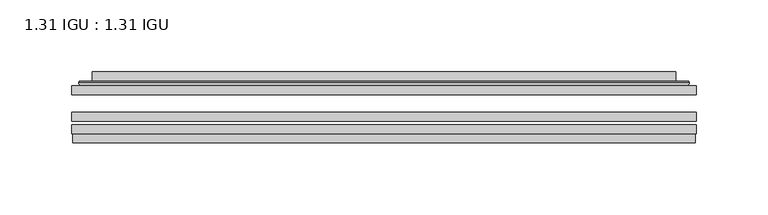
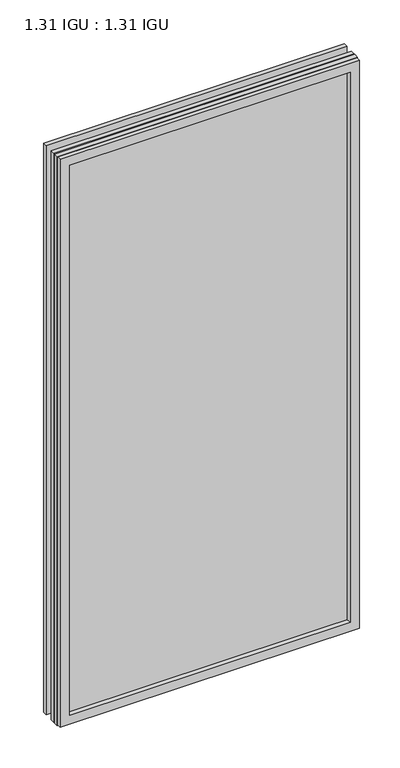
"""IFC4 building model written with IfcOpenShell, lengths in millimetres: plate geometry, 1.31 IGU : 1.31 IGU."""

from ifc_helpers import new_model, si_unit, frame, origin, place, context, project, spatial, polyline, ellipse_curve, outline, extrude, faceted_brep, source, transform, mapped, element, save
from ifc_brep_helpers import plane_surface, cylinder_surface, advanced_brep


def plate_1_31_igu_1_31_igu_b46dd1f0(model_context):
    return source(origin(), model_context, "Body", "SolidModel", [
        extrude(outline(polyline([(217.501675, -63.59525), (217.501675, -69.94525), (-217.4875, -69.94525), (-217.4875, -63.59525), (217.501675, -63.59525)])), frame((0.0, 0.0, -14.2875), z_axis=(0.0, 0.0, 1.0), x_axis=(1.0, 0.0, 0.0)), (0.0, 0.0, 1.0), 869.9537979),
        extrude(outline(polyline([(-217.4875, -78.58125), (-217.4875, -72.230745), (217.501675, -72.230745), (217.501675, -78.58125), (-217.4875, -78.58125)])), frame((0.0, 0.0, -14.2875), z_axis=(0.0, 0.0, 1.0), x_axis=(1.0, 0.0, 0.0)), (0.0, 0.0, 1.0), 869.9537979),
        extrude(outline(polyline([(217.501675, -45.25645), (217.501675, -51.60645), (-217.4875, -51.60645), (-217.4875, -45.25645), (217.501675, -45.25645)])), frame((0.0, 0.0, -14.2875), z_axis=(0.0, 0.0, 1.0), x_axis=(1.0, 0.0, 0.0)), (0.0, 0.0, 1.0), 869.9537979),
        faceted_brep([(-216.7873142, -84.93125, 854.9623142), (-216.7873142, -78.58125, 854.9623142), (-216.7873142, -78.58125, -13.5873142), (-216.7873142, -84.93125, -13.5873142), (216.7873142, -78.58125, -13.5873142), (216.7873142, -84.93125, -13.5873142), (216.7873142, -78.58125, 854.9623142), (216.7873142, -84.93125, 854.9623142), (-202.3022559, -78.58125, 0.8977441), (202.3022559, -78.58125, 0.8977441), (202.3022559, -78.58125, 840.4772559), (-202.3022559, -78.58125, 840.4772559), (-203.1946902, -84.93125, 841.3696902), (203.1946902, -84.93125, 841.3696902), (203.1946902, -84.93125, 0.0053098), (-203.1946902, -84.93125, 0.0053098)], [[[0, 1, 2, 3]], [[3, 2, 4, 5]], [[5, 4, 6, 7]], [[1, 6, 4, 2], [8, 9, 10, 11]], [[7, 6, 1, 0]], [[3, 5, 7, 0], [12, 13, 14, 15]], [[11, 12, 15, 8]], [[8, 15, 14, 9]], [[9, 14, 13, 10]], [[10, 13, 12, 11]]]),
        advanced_brep(
        [(-210.246219, -45.25645, 848.4212191), (-212.6004244, -43.2667833, 850.7754244), (-212.6004244, -43.2667833, -9.4004244), (-210.246219, -45.25645, -7.046219), (-201.1718939, -41.416413, 839.3468939), (-196.2370621, -45.25645, 834.4120621), (-196.2370621, -45.25645, 6.9629379), (-201.1718939, -41.416413, 2.0281061), (-202.2039217, -36.0191819, 840.3789217), (-202.2039217, -36.0191819, 0.9960783), (-203.1945784, -35.6202069, 841.3695784), (-203.1945784, -35.6202069, 0.0054216), (-203.1945784, -42.08145, 841.3695784), (-203.1945784, -42.08145, 0.0054216), (-211.5986349, -42.08145, 849.7736349), (-211.5986349, -42.08145, -8.3986349), (212.6004244, -43.2667833, -9.4004244), (210.246219, -45.25645, -7.046219), (196.2370621, -45.25645, 6.9629379), (201.1718939, -41.416413, 2.0281061), (202.2039217, -36.0191819, 0.9960783), (203.1945784, -35.6202069, 0.0054216), (203.1945784, -42.08145, 0.0054216), (211.5986349, -42.08145, -8.3986349), (212.6004244, -43.2667833, 850.7754244), (210.246219, -45.25645, 848.4212191), (196.2370621, -45.25645, 834.4120621), (201.1718939, -41.416413, 839.3468939), (202.2039217, -36.0191819, 840.3789217), (203.1945784, -35.6202069, 841.3695784), (203.1945784, -42.08145, 841.3695784), (211.5986349, -42.08145, 849.7736349)],
        [
            (0, 1, ellipse_curve(frame((-210.246219, -42.86885, 848.4212191), z_axis=(-0.7071067811865475, 0.0, -0.7071067811865475), x_axis=(-0.7071067811865474, 0.0, 0.7071067811865476)), 3.3765763, 2.3876)),
            (1, 2),
            (2, 3, ellipse_curve(frame((-210.246219, -42.86885, -7.046219), z_axis=(-0.7071067811865475, 0.0, 0.7071067811865475), x_axis=(0.7071067811865474, 0.0, 0.7071067811865476)), 3.3765763, 2.3876)),
            (3, 0),
            (4, 5),
            (5, 6),
            (6, 7),
            (7, 4),
            (8, 4),
            (7, 9),
            (9, 8),
            (10, 8, ellipse_curve(frame((-202.8276219, -36.1384423, 841.0026219), z_axis=(-0.7071067811865475, 0.0, -0.7071067811865475), x_axis=(-0.7071067811865474, 0.0, 0.7071067811865476)), 0.8980256, 0.635)),
            (9, 11, ellipse_curve(frame((-202.8276219, -36.1384423, 0.3723781), z_axis=(-0.7071067811865475, 0.0, 0.7071067811865475), x_axis=(0.7071067811865474, 0.0, 0.7071067811865476)), 0.8980256, 0.635)),
            (11, 10),
            (12, 10),
            (11, 13),
            (13, 12),
            (1, 14, ellipse_curve(frame((-211.5986349, -43.09745, 849.7736349), z_axis=(-0.7071067811865475, 0.0, -0.7071067811865475), x_axis=(-0.7071067811865474, 0.0, 0.7071067811865476)), 1.436841, 1.016)),
            (14, 15),
            (15, 2, ellipse_curve(frame((-211.5986349, -43.09745, -8.3986349), z_axis=(-0.7071067811865475, 0.0, 0.7071067811865475), x_axis=(0.7071067811865474, 0.0, 0.7071067811865476)), 1.436841, 1.016)),
            (2, 16),
            (16, 17, ellipse_curve(frame((210.246219, -42.86885, -7.046219), z_axis=(-0.7071067811865475, 0.0, -0.7071067811865475), x_axis=(-0.7071067811865476, 0.0, 0.7071067811865474)), 3.3765763, 2.3876)),
            (17, 3),
            (6, 18),
            (18, 19),
            (19, 7),
            (19, 20),
            (20, 9),
            (20, 21, ellipse_curve(frame((202.8276219, -36.1384423, 0.3723781), z_axis=(-0.7071067811865475, 0.0, -0.7071067811865475), x_axis=(-0.7071067811865476, 0.0, 0.7071067811865474)), 0.8980256, 0.635)),
            (21, 11),
            (21, 22),
            (22, 13),
            (15, 23),
            (23, 16, ellipse_curve(frame((211.5986349, -43.09745, -8.3986349), z_axis=(-0.7071067811865475, 0.0, -0.7071067811865475), x_axis=(-0.7071067811865476, 0.0, 0.7071067811865474)), 1.436841, 1.016)),
            (16, 24),
            (24, 25, ellipse_curve(frame((210.246219, -42.86885, 848.4212191), z_axis=(0.7071067811865475, 0.0, -0.7071067811865475), x_axis=(-0.7071067811865474, 0.0, -0.7071067811865476)), 3.3765763, 2.3876)),
            (25, 17),
            (18, 26),
            (26, 27),
            (27, 19),
            (27, 28),
            (28, 20),
            (28, 29, ellipse_curve(frame((202.8276219, -36.1384423, 841.0026219), z_axis=(0.7071067811865475, 0.0, -0.7071067811865475), x_axis=(-0.7071067811865474, 0.0, -0.7071067811865476)), 0.8980256, 0.635)),
            (29, 21),
            (29, 30),
            (30, 22),
            (23, 31),
            (31, 24, ellipse_curve(frame((211.5986349, -43.09745, 849.7736349), z_axis=(0.7071067811865475, 0.0, -0.7071067811865475), x_axis=(-0.7071067811865474, 0.0, -0.7071067811865476)), 1.436841, 1.016)),
            (24, 1),
            (0, 25),
            (5, 26),
            (4, 27),
            (8, 28),
            (10, 29),
            (12, 30),
            (14, 31),
        ],
        [
            cylinder_surface(frame((-210.246219, -42.86885, 873.125), z_axis=(0.0, 0.0, 1.0), x_axis=(-1.0, 0.0, 0.0)), 2.3876),
            plane_surface(frame((-196.2370621, -45.25645, 834.4120621), z_axis=(0.6141233906514794, 0.7892100234124821, 0.0), x_axis=(0.0, 0.0, -1.0))),
            plane_surface(frame((-201.1718939, -41.416413, 839.3468939), z_axis=(0.9822050625507729, 0.18781164793386074, 0.0), x_axis=(0.0, 0.0, -1.0))),
            cylinder_surface(frame((-202.8276219, -36.1384423, 873.125), z_axis=(0.0, 0.0, 1.0), x_axis=(-1.0, 0.0, 0.0)), 0.635),
            plane_surface(frame((-203.1945784, -35.6202069, 841.3695784), z_axis=(-1.0, 0.0, 0.0), x_axis=(0.0, 0.0, -1.0))),
            cylinder_surface(frame((-211.5986349, -43.09745, 873.125), z_axis=(0.0, 0.0, 1.0), x_axis=(-1.0, 0.0, 0.0)), 1.016),
            cylinder_surface(frame((-234.95, -42.86885, -7.046219), z_axis=(-1.0, 0.0, 0.0), x_axis=(0.0, 0.0, -1.0)), 2.3876),
            plane_surface(frame((-196.2370621, -45.25645, 6.9629379), z_axis=(0.0, 0.7892100234124841, 0.6141233906514768), x_axis=(1.0, 0.0, 0.0))),
            plane_surface(frame((-201.1718939, -41.416413, 2.0281061), z_axis=(0.0, 0.18781164793386393, 0.9822050625507723), x_axis=(1.0, 0.0, 0.0))),
            cylinder_surface(frame((-234.95, -36.1384423, 0.3723781), z_axis=(-1.0, 0.0, 0.0), x_axis=(0.0, 0.0, -1.0)), 0.635),
            plane_surface(frame((-203.1945784, -35.6202069, 0.0054216), z_axis=(0.0, 0.0, -1.0), x_axis=(1.0, 0.0, 0.0))),
            cylinder_surface(frame((-234.95, -43.09745, -8.3986349), z_axis=(-1.0, 0.0, 0.0), x_axis=(0.0, 0.0, -1.0)), 1.016),
            cylinder_surface(frame((210.246219, -42.86885, -31.75), z_axis=(0.0, 0.0, -1.0), x_axis=(1.0, 0.0, 0.0)), 2.3876),
            plane_surface(frame((196.2370621, -45.25645, 6.9629379), z_axis=(-0.6141233906514743, 0.7892100234124861, 0.0), x_axis=(0.0, 0.0, 1.0))),
            plane_surface(frame((201.1718939, -41.416413, 2.0281061), z_axis=(-0.9822050625507718, 0.18781164793386712, 0.0), x_axis=(0.0, 0.0, 1.0))),
            cylinder_surface(frame((202.8276219, -36.1384423, -31.75), z_axis=(0.0, 0.0, -1.0), x_axis=(1.0, 0.0, 0.0)), 0.635),
            plane_surface(frame((203.1945784, -35.6202069, 0.0054216), z_axis=(1.0, 0.0, 0.0), x_axis=(0.0, 0.0, 1.0))),
            cylinder_surface(frame((211.5986349, -43.09745, -31.75), z_axis=(0.0, 0.0, -1.0), x_axis=(1.0, 0.0, 0.0)), 1.016),
            cylinder_surface(frame((234.95, -42.86885, 848.4212191), z_axis=(1.0, 0.0, 0.0), x_axis=(0.0, 0.0, 1.0)), 2.3876),
            plane_surface(frame((210.246219, -45.25645, 848.4212191), z_axis=(0.0, -1.0, 0.0), x_axis=(-1.0, 0.0, 0.0))),
            plane_surface(frame((196.2370621, -45.25645, 834.4120621), z_axis=(0.0, 0.7892100234124841, -0.6141233906514768), x_axis=(-1.0, 0.0, 0.0))),
            plane_surface(frame((201.1718939, -41.416413, 839.3468939), z_axis=(0.0, 0.18781164793386393, -0.9822050625507723), x_axis=(-1.0, 0.0, 0.0))),
            cylinder_surface(frame((234.95, -36.1384423, 841.0026219), z_axis=(1.0, 0.0, 0.0), x_axis=(0.0, 0.0, 1.0)), 0.635),
            plane_surface(frame((203.1945784, -35.6202069, 841.3695784), z_axis=(0.0, 0.0, 1.0), x_axis=(-1.0, 0.0, 0.0))),
            plane_surface(frame((203.1945784, -42.08145, 841.3695784), z_axis=(0.0, 1.0, 0.0), x_axis=(-1.0, 0.0, 0.0))),
            cylinder_surface(frame((234.95, -43.09745, 849.7736349), z_axis=(1.0, 0.0, 0.0), x_axis=(0.0, 0.0, 1.0)), 1.016),
        ],
        [
            (0, [[1, 2, 3, 4]]),
            (1, [[5, 6, 7, 8]]),
            (2, [[9, -8, 10, 11]]),
            (3, [[12, -11, 13, 14]]),
            (4, [[15, -14, 16, 17]]),
            (5, [[18, 19, 20, -2]]),
            (6, [[-3, 21, 22, 23]]),
            (7, [[-7, 24, 25, 26]]),
            (8, [[-10, -26, 27, 28]]),
            (9, [[-13, -28, 29, 30]]),
            (10, [[-16, -30, 31, 32]]),
            (11, [[-20, 33, 34, -21]]),
            (12, [[-22, 35, 36, 37]]),
            (13, [[-25, 38, 39, 40]]),
            (14, [[-27, -40, 41, 42]]),
            (15, [[-29, -42, 43, 44]]),
            (16, [[-31, -44, 45, 46]]),
            (17, [[-34, 47, 48, -35]]),
            (18, [[-36, 49, -1, 50]]),
            (19, [[-23, -37, -50, -4], [51, -38, -24, -6]]),
            (20, [[-39, -51, -5, 52]]),
            (21, [[-41, -52, -9, 53]]),
            (22, [[-43, -53, -12, 54]]),
            (23, [[-45, -54, -15, 55]]),
            (24, [[56, -47, -33, -19], [-32, -46, -55, -17]]),
            (25, [[-48, -56, -18, -49]]),
        ],
    ),
    ])


if __name__ == "__main__":
    model = new_model("IFC4")
    model_context = context("Model", 3, world=origin())
    ifc_project = project(units=[si_unit("LENGTHUNIT", "METRE", prefix="MILLI")], contexts=[model_context])
    site = spatial("IfcSite", under=ifc_project)
    building = spatial("IfcBuilding", under=site)
    placement = place(None, origin())
    plate_1_31_igu_1_31_igu_shape = plate_1_31_igu_1_31_igu_b46dd1f0(model_context)
    element("IfcPlate", 1, ObjectType="1.31 IGU : 1.31 IGU", at=placement, inside=building, context=model_context, shape_type="MappedRepresentation", body=[
        mapped(plate_1_31_igu_1_31_igu_shape, transform((0.0, 0.0, 0.0), x_axis=(1.0, 0.0, 0.0), y_axis=(0.0, 1.0, 0.0), z_axis=(0.0, 0.0, 1.0))),
    ])
    save(model, "model.ifc")
